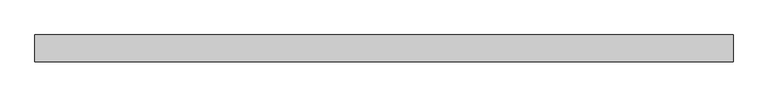
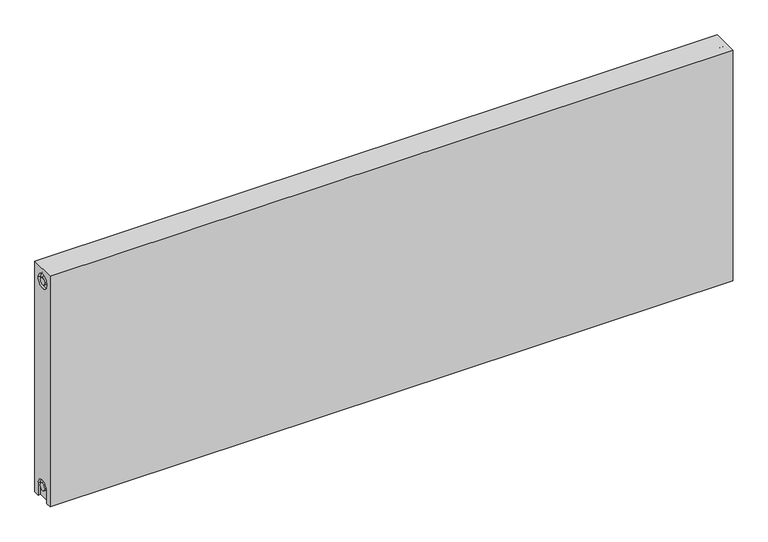
"""IFC4 building model written with IfcOpenShell, lengths in millimetres: proxy geometry."""

from ifc_helpers import new_model, si_unit, frame, origin, place, context, project, spatial, polyline, circle_curve, source, transform, mapped, element, save
from ifc_brep_helpers import plane_surface, cylinder_surface, revolved_surface, advanced_brep


def mechanical_equipment_a6e34863(model_context):
    return source(origin(), model_context, "Body", "AdvancedBrep", [
        advanced_brep(
        [(1400.0, 27.0, 500.0), (1400.0, 27.0, 0.0), (0.0, 27.0, 0.0), (0.0, 27.0, 500.0), (1400.0, -27.0, 500.0), (0.0, -27.0, 500.0), (0.0, -27.0, 0.0), (1400.0, -27.0, 0.0), (1400.0, -15.0, 0.0), (1400.0, -15.0, 27.0), (1400.0, 15.0, 27.0), (1400.0, 15.0, 0.0), (1400.0, 14.7242393, 473.0), (1400.0, -15.2757607, 473.0), (1400.0, -7.5, 27.0), (1400.0, 7.5, 27.0), (1400.0, 7.2242393, 473.0), (1400.0, -7.7757607, 473.0), (1395.0, 15.0, 0.0), (1395.0, -15.0, 0.0), (0.0, -15.0, 0.0), (5.0, -15.0, 0.0), (5.0, 15.0, 0.0), (0.0, 15.0, 0.0), (0.0, 15.0, 27.0), (0.0, -15.0, 27.0), (0.0, -15.2757607, 473.0), (0.0, 14.7242393, 473.0), (0.0, -7.7757607, 473.0), (0.0, 7.2242393, 473.0), (0.0, 7.5, 27.0), (0.0, -7.5, 27.0), (5.0, -15.2757607, 473.0), (5.0, 14.7242393, 473.0), (5.0, -7.7757607, 473.0), (5.0, 7.2242393, 473.0), (5.0, -15.0, 27.0), (5.0, 15.0, 27.0), (5.0, -7.5, 27.0), (5.0, 7.5, 27.0), (1395.0, 15.0, 27.0), (1395.0, -15.0, 27.0), (1395.0, -7.5, 27.0), (1395.0, 7.5, 27.0), (1395.0, -15.2757607, 473.0), (1395.0, 14.7242393, 473.0), (1395.0, -7.7757607, 473.0), (1395.0, 7.2242393, 473.0)],
        [
            (0, 1),
            (1, 2),
            (2, 3),
            (3, 0),
            (4, 5),
            (5, 6),
            (6, 7),
            (7, 4),
            (0, 4),
            (7, 8),
            (8, 9),
            (9, 10, circle_curve(frame((1400.0, 0.0, 27.0), z_axis=(-1.0, 0.0, 0.0), x_axis=(0.0, 1.0, 0.0)), 15.0)),
            (10, 11),
            (11, 1),
            (12, 13, circle_curve(frame((1400.0, -0.2757607, 473.0), z_axis=(-1.0, 0.0, 0.0), x_axis=(0.0, 1.0, 0.0)), 15.0)),
            (13, 12, circle_curve(frame((1400.0, -0.2757607, 473.0), z_axis=(-1.0, 0.0, 0.0), x_axis=(0.0, 1.0, 0.0)), 15.0)),
            (14, 15, circle_curve(frame((1400.0, 0.0, 27.0), z_axis=(1.0, 0.0, 0.0), x_axis=(0.0, 1.0, 0.0)), 7.5)),
            (15, 14, circle_curve(frame((1400.0, 0.0, 27.0), z_axis=(1.0, 0.0, 0.0), x_axis=(0.0, 1.0, 0.0)), 7.5)),
            (16, 17, circle_curve(frame((1400.0, -0.2757607, 473.0), z_axis=(1.0, 0.0, 0.0), x_axis=(0.0, 1.0, 0.0)), 7.5)),
            (17, 16, circle_curve(frame((1400.0, -0.2757607, 473.0), z_axis=(1.0, 0.0, 0.0), x_axis=(0.0, 1.0, 0.0)), 7.5)),
            (11, 18),
            (18, 19),
            (19, 8),
            (6, 20),
            (20, 21),
            (21, 22),
            (22, 23),
            (23, 2),
            (23, 24),
            (24, 25, circle_curve(frame((0.0, 0.0, 27.0), z_axis=(1.0, 0.0, 0.0), x_axis=(0.0, 1.0, 0.0)), 15.0)),
            (25, 20),
            (5, 3),
            (26, 27, circle_curve(frame((0.0, -0.2757607, 473.0), z_axis=(1.0, 0.0, 0.0), x_axis=(0.0, 1.0, 0.0)), 15.0)),
            (27, 26, circle_curve(frame((0.0, -0.2757607, 473.0), z_axis=(1.0, 0.0, 0.0), x_axis=(0.0, 1.0, 0.0)), 15.0)),
            (28, 29, circle_curve(frame((0.0, -0.2757607, 473.0), z_axis=(-1.0, 0.0, 0.0), x_axis=(0.0, 1.0, 0.0)), 7.5)),
            (29, 28, circle_curve(frame((0.0, -0.2757607, 473.0), z_axis=(-1.0, 0.0, 0.0), x_axis=(0.0, 1.0, 0.0)), 7.5)),
            (30, 31, circle_curve(frame((0.0, 0.0, 27.0), z_axis=(-1.0, 0.0, 0.0), x_axis=(0.0, 1.0, 0.0)), 7.5)),
            (31, 30, circle_curve(frame((0.0, 0.0, 27.0), z_axis=(-1.0, 0.0, 0.0), x_axis=(0.0, 1.0, 0.0)), 7.5)),
            (32, 33, circle_curve(frame((5.0, -0.2757607, 473.0), z_axis=(-1.0, 0.0, 0.0), x_axis=(0.0, 1.0, 0.0)), 15.0)),
            (33, 32, circle_curve(frame((5.0, -0.2757607, 473.0), z_axis=(-1.0, 0.0, 0.0), x_axis=(0.0, 1.0, 0.0)), 15.0)),
            (34, 35, circle_curve(frame((5.0, -0.2757607, 473.0), z_axis=(1.0, 0.0, 0.0), x_axis=(0.0, 1.0, 0.0)), 7.5)),
            (35, 34, circle_curve(frame((5.0, -0.2757607, 473.0), z_axis=(1.0, 0.0, 0.0), x_axis=(0.0, 1.0, 0.0)), 7.5)),
            (33, 27),
            (26, 32),
            (35, 29),
            (28, 34),
            (21, 36),
            (36, 37, circle_curve(frame((5.0, 0.0, 27.0), z_axis=(-1.0, 0.0, 0.0), x_axis=(0.0, 1.0, 0.0)), 15.0)),
            (37, 22),
            (38, 39, circle_curve(frame((5.0, 0.0, 27.0), z_axis=(1.0, 0.0, 0.0), x_axis=(0.0, 1.0, 0.0)), 7.5)),
            (39, 38, circle_curve(frame((5.0, 0.0, 27.0), z_axis=(1.0, 0.0, 0.0), x_axis=(0.0, 1.0, 0.0)), 7.5)),
            (38, 31),
            (30, 39),
            (37, 24),
            (36, 25),
            (18, 40),
            (40, 41, circle_curve(frame((1395.0, 0.0, 27.0), z_axis=(1.0, 0.0, 0.0), x_axis=(0.0, 1.0, 0.0)), 15.0)),
            (41, 19),
            (42, 43, circle_curve(frame((1395.0, 0.0, 27.0), z_axis=(-1.0, 0.0, 0.0), x_axis=(0.0, 1.0, 0.0)), 7.5)),
            (43, 42, circle_curve(frame((1395.0, 0.0, 27.0), z_axis=(-1.0, 0.0, 0.0), x_axis=(0.0, 1.0, 0.0)), 7.5)),
            (43, 15),
            (14, 42),
            (10, 40),
            (9, 41),
            (44, 45, circle_curve(frame((1395.0, -0.2757607, 473.0), z_axis=(1.0, 0.0, 0.0), x_axis=(0.0, 1.0, 0.0)), 15.0)),
            (45, 44, circle_curve(frame((1395.0, -0.2757607, 473.0), z_axis=(1.0, 0.0, 0.0), x_axis=(0.0, 1.0, 0.0)), 15.0)),
            (46, 47, circle_curve(frame((1395.0, -0.2757607, 473.0), z_axis=(-1.0, 0.0, 0.0), x_axis=(0.0, 1.0, 0.0)), 7.5)),
            (47, 46, circle_curve(frame((1395.0, -0.2757607, 473.0), z_axis=(-1.0, 0.0, 0.0), x_axis=(0.0, 1.0, 0.0)), 7.5)),
            (44, 13),
            (12, 45),
            (46, 17),
            (16, 47),
        ],
        [
            plane_surface(frame((1400.0, 27.0, 500.0), z_axis=(0.0, 1.0, 0.0), x_axis=(0.0, 0.0, -1.0))),
            plane_surface(frame((1400.0, -27.0, 500.0), z_axis=(0.0, -1.0, 0.0), x_axis=(0.0, 0.0, 1.0))),
            plane_surface(frame((1400.0, 27.0, 500.0), z_axis=(1.0, 0.0, 0.0), x_axis=(0.0, -1.0, 0.0))),
            plane_surface(frame((1400.0, 27.0, 0.0), z_axis=(0.0, 0.0, -1.0), x_axis=(0.0, -1.0, 0.0))),
            plane_surface(frame((0.0, 27.0, 0.0), z_axis=(-1.0, 0.0, 0.0), x_axis=(0.0, -1.0, 0.0))),
            plane_surface(frame((0.0, 27.0, 500.0), z_axis=(0.0, 0.0, 1.0), x_axis=(0.0, -1.0, 0.0))),
            plane_surface(frame((5.0, 14.7242393, 473.0), z_axis=(-1.0, 0.0, 0.0), x_axis=(0.0, 0.0, 1.0))),
            revolved_surface(polyline([(5.0, 14.7242393, 473.0), (0.0, 14.7242393, 473.0)]), (0.0, -0.2757607, 473.0), (1.0, 0.0, 0.0)),
            cylinder_surface(frame((0.0, -0.2757607, 473.0), z_axis=(-1.0, 0.0, 0.0), x_axis=(0.0, 1.0, 0.0)), 7.5),
            plane_surface(frame((5.0, 7.5, 27.0), z_axis=(-1.0, 0.0, 0.0), x_axis=(0.0, 0.0, -1.0))),
            cylinder_surface(frame((0.0, 0.0, 27.0), z_axis=(-1.0, 0.0, 0.0), x_axis=(0.0, 1.0, 0.0)), 7.5),
            plane_surface(frame((5.0, 15.0, 0.0), z_axis=(0.0, -1.0, 0.0), x_axis=(-1.0, 0.0, 0.0))),
            revolved_surface(polyline([(5.0, 15.0, 27.0), (0.0, 15.0, 27.0)]), (0.0, 0.0, 27.0), (1.0, 0.0, 0.0)),
            plane_surface(frame((5.0, -15.0, 27.0), z_axis=(0.0, 1.0, 0.0), x_axis=(-1.0, 0.0, 0.0))),
            plane_surface(frame((1395.0, 7.5, 27.0), z_axis=(1.0, 0.0, 0.0), x_axis=(0.0, 0.0, 1.0))),
            cylinder_surface(frame((1395.0, 0.0, 27.0), z_axis=(-1.0, 0.0, 0.0), x_axis=(0.0, 1.0, 0.0)), 7.5),
            plane_surface(frame((1400.0, 15.0, 0.0), z_axis=(0.0, -1.0, 0.0), x_axis=(-1.0, 0.0, 0.0))),
            revolved_surface(polyline([(1400.0, 15.0, 27.0), (1395.0, 15.0, 27.0)]), (895.0, 0.0, 27.0), (1.0, 0.0, 0.0)),
            plane_surface(frame((1400.0, -15.0, 27.0), z_axis=(0.0, 1.0, 0.0), x_axis=(-1.0, 0.0, 0.0))),
            plane_surface(frame((1395.0, 14.7242393, 473.0), z_axis=(1.0, 0.0, 0.0), x_axis=(0.0, 0.0, -1.0))),
            revolved_surface(polyline([(1400.0, 14.7242393, 473.0), (1395.0, 14.7242393, 473.0)]), (1395.0, -0.2757607, 473.0), (1.0, 0.0, 0.0)),
            cylinder_surface(frame((895.0, -0.2757607, 473.0), z_axis=(-1.0, 0.0, 0.0), x_axis=(0.0, 1.0, 0.0)), 7.5),
        ],
        [
            (0, [[1, 2, 3, 4]]),
            (1, [[5, 6, 7, 8]]),
            (2, [[-1, 9, -8, 10, 11, 12, 13, 14], [15, 16]]),
            (2, [[17, 18]]),
            (2, [[19, 20]]),
            (3, [[-2, -14, 21, 22, 23, -10, -7, 24, 25, 26, 27, 28]]),
            (4, [[-3, -28, 29, 30, 31, -24, -6, 32], [33, 34]]),
            (4, [[35, 36]]),
            (4, [[37, 38]]),
            (5, [[-4, -32, -5, -9]]),
            (6, [[39, 40], [41, 42]]),
            (7, [[-40, 43, -33, 44]]),
            (7, [[-39, -44, -34, -43]]),
            (8, [[-42, 45, -35, 46]]),
            (8, [[-41, -46, -36, -45]]),
            (9, [[47, 48, 49, -26], [50, 51]]),
            (10, [[-50, 52, -37, 53]]),
            (10, [[-51, -53, -38, -52]]),
            (11, [[-49, 54, -29, -27]]),
            (12, [[-48, 55, -30, -54]]),
            (13, [[-47, -25, -31, -55]]),
            (14, [[56, 57, 58, -22], [59, 60]]),
            (15, [[-60, 61, -17, 62]]),
            (15, [[-59, -62, -18, -61]]),
            (16, [[-56, -21, -13, 63]]),
            (17, [[-57, -63, -12, 64]]),
            (18, [[-58, -64, -11, -23]]),
            (19, [[65, 66], [67, 68]]),
            (20, [[-65, 69, -15, 70]]),
            (20, [[-66, -70, -16, -69]]),
            (21, [[-67, 71, -19, 72]]),
            (21, [[-68, -72, -20, -71]]),
        ],
    ),
    ])


if __name__ == "__main__":
    model = new_model("IFC4")
    model_context = context("Model", 3, world=origin())
    ifc_project = project(units=[si_unit("LENGTHUNIT", "METRE", prefix="MILLI")], contexts=[model_context])
    site = spatial("IfcSite", under=ifc_project)
    building = spatial("IfcBuilding", under=site)
    placement = place(None, origin())
    mechanical_equipment_shape = mechanical_equipment_a6e34863(model_context)
    element("IfcBuildingElementProxy", 1, Name="Mechanical Equipment", at=placement, inside=building, context=model_context, shape_type="MappedRepresentation", body=[
        mapped(mechanical_equipment_shape, transform((0.0, 0.0, 0.0), x_axis=(1.0, 0.0, 0.0), y_axis=(0.0, 1.0, 0.0), z_axis=(0.0, 0.0, 1.0))),
    ])
    save(model, "model.ifc")
